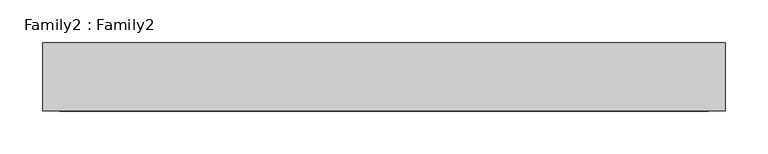
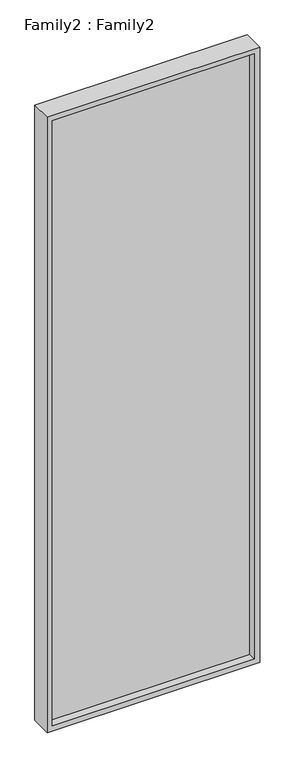
"""IFC4 building model written with IfcOpenShell, lengths in millimetres: plate geometry, Family2 : Family2."""

from ifc_helpers import new_model, si_unit, frame, origin, place, context, project, spatial, polyline, outline, extrude, source, transform, mapped, element, save


def family2_family2_3c9025ed(model_context):
    return source(origin(), model_context, "Body", "SweptSolid", [
        extrude(outline(polyline([(2450.0, -400.0), (0.0, -400.0), (0.0, 400.0), (2450.0, 400.0), (2450.0, -400.0)]), holes=[polyline([(20.0, -380.0), (2430.0, -380.0), (2430.0, 380.0), (20.0, 380.0), (20.0, -380.0)])]), frame((0.0, -40.0, 0.0), z_axis=(0.0, 1.0, 0.0), x_axis=(0.0, 0.0, 1.0)), (0.0, 0.0, 1.0), 80.0),
        extrude(outline(polyline([(380.0, -10.0), (-380.0, -10.0), (-380.0, 10.0), (380.0, 10.0), (380.0, -10.0)])), frame((0.0, 0.0, 20.0), z_axis=(0.0, 0.0, 1.0), x_axis=(1.0, 0.0, 0.0)), (0.0, 0.0, 1.0), 2410.0),
    ])


if __name__ == "__main__":
    model = new_model("IFC4")
    model_context = context("Model", 3, world=origin())
    ifc_project = project(units=[si_unit("LENGTHUNIT", "METRE", prefix="MILLI")], contexts=[model_context])
    site = spatial("IfcSite", under=ifc_project)
    building = spatial("IfcBuilding", under=site)
    placement = place(None, origin())
    family2_family2_shape = family2_family2_3c9025ed(model_context)
    element("IfcPlate", 1, ObjectType="Family2 : Family2", at=placement, inside=building, context=model_context, shape_type="MappedRepresentation", body=[
        mapped(family2_family2_shape, transform((0.0, 0.0, 0.0), x_axis=(1.0, 0.0, 0.0), y_axis=(0.0, 1.0, 0.0), z_axis=(0.0, 0.0, 1.0))),
    ])
    save(model, "model.ifc")
